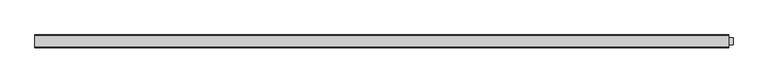
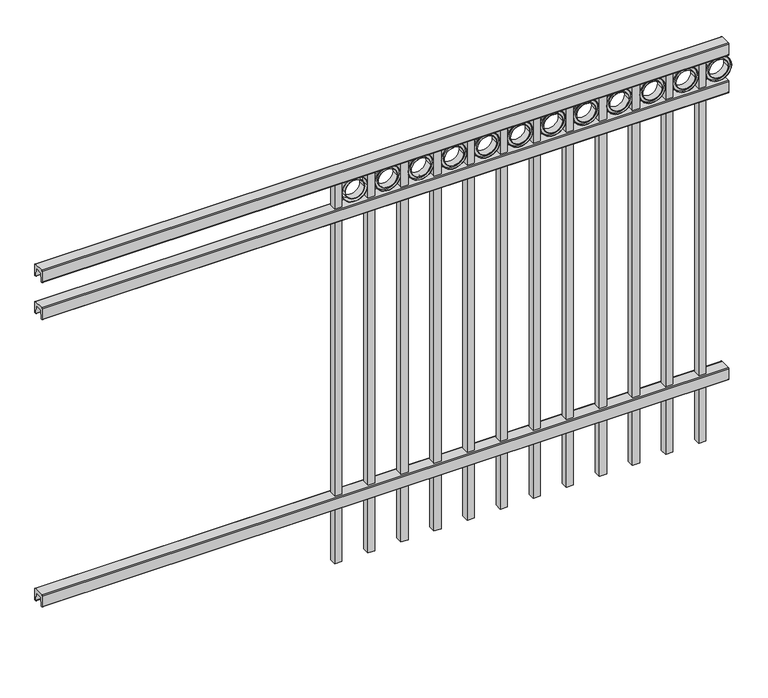
"""IFC4 building model written with IfcOpenShell, lengths in millimetres: railing geometry."""

from ifc_helpers import new_model, si_unit, point, frame, frame_2d, origin, place, context, project, spatial, polyline, circle_curve, trimmed, segment, composite_curve, outline, extrude, source, transform, mapped, element, save


def railing_443adf3b(model_context):
    return source(origin(), model_context, "Body", "SweptSolid", [
        extrude(outline(composite_curve([segment(polyline([(11873.9139761, 304.8), (11911.969541, 304.8)]), True, "CONTINUOUS"), segment(trimmed(circle_curve(frame_2d((11911.969541, 301.625)), 3.175), [point((11911.969541, 304.8))], [point((11915.144541, 301.625))], False, "CARTESIAN"), True, "CONTINUOUS"), segment(polyline([(11915.144541, 301.625), (11915.144541, 262.1439893)]), True, "CONTINUOUS"), segment(trimmed(circle_curve(frame_2d((11913.3505518, 262.1439893)), 1.7939893), [point((11915.144541, 262.1439893))], [point((11913.3505518, 260.35))], False, "CARTESIAN"), True, "CONTINUOUS"), segment(polyline([(11913.3505518, 260.35), (11910.7590713, 260.35)]), True, "CONTINUOUS"), segment(trimmed(circle_curve(frame_2d((11910.7590713, 262.1359375)), 1.7859375), [point((11910.7590713, 260.35))], [point((11908.9755813, 262.0424688))], False, "CARTESIAN"), True, "CONTINUOUS"), segment(polyline([(11908.9755813, 262.0424688), (11907.4025867, 292.0569942), (11878.4364954, 292.0569942), (11876.8635007, 262.0424688)]), True, "CONTINUOUS"), segment(trimmed(circle_curve(frame_2d((11875.0800108, 262.1359375)), 1.7859375), [point((11876.8635007, 262.0424688))], [point((11875.0800108, 260.35))], False, "CARTESIAN"), True, "CONTINUOUS"), segment(polyline([(11875.0800108, 260.35), (11872.4804785, 260.35)]), True, "CONTINUOUS"), segment(trimmed(circle_curve(frame_2d((11872.4804785, 262.1359375)), 1.7859375), [point((11872.4804785, 260.35))], [point((11870.694541, 262.1359375))], False, "CARTESIAN"), True, "CONTINUOUS"), segment(polyline([(11870.694541, 262.1359375), (11870.694541, 301.5805649)]), True, "CONTINUOUS"), segment(trimmed(circle_curve(frame_2d((11873.9139761, 301.5805649)), 3.2194351), [point((11870.694541, 301.5805649))], [point((11873.9139761, 304.8))], False, "CARTESIAN"), True, "CONTINUOUS")], self_intersect=False)), frame((-6193.0649936, 0.0, 0.0), z_axis=(1.0, 0.0, 0.0), x_axis=(0.0, 1.0, 0.0)), (0.0, 0.0, 1.0), 2438.4),
        extrude(outline(composite_curve([segment(polyline([(11873.9139761, 1383.50625), (11911.969541, 1383.50625)]), True, "CONTINUOUS"), segment(trimmed(circle_curve(frame_2d((11911.969541, 1380.33125)), 3.175), [point((11911.969541, 1383.50625))], [point((11915.144541, 1380.33125))], False, "CARTESIAN"), True, "CONTINUOUS"), segment(polyline([(11915.144541, 1380.33125), (11915.144541, 1340.8502393)]), True, "CONTINUOUS"), segment(trimmed(circle_curve(frame_2d((11913.3505518, 1340.8502393)), 1.7939893), [point((11915.144541, 1340.8502393))], [point((11913.3505518, 1339.05625))], False, "CARTESIAN"), True, "CONTINUOUS"), segment(polyline([(11913.3505518, 1339.05625), (11910.7590713, 1339.05625)]), True, "CONTINUOUS"), segment(trimmed(circle_curve(frame_2d((11910.7590713, 1340.8421875)), 1.7859375), [point((11910.7590713, 1339.05625))], [point((11908.9755813, 1340.7487188))], False, "CARTESIAN"), True, "CONTINUOUS"), segment(polyline([(11908.9755813, 1340.7487188), (11907.4025867, 1370.7632442), (11878.4364954, 1370.7632442), (11876.8635007, 1340.7487188)]), True, "CONTINUOUS"), segment(trimmed(circle_curve(frame_2d((11875.0800108, 1340.8421875)), 1.7859375), [point((11876.8635007, 1340.7487188))], [point((11875.0800108, 1339.05625))], False, "CARTESIAN"), True, "CONTINUOUS"), segment(polyline([(11875.0800108, 1339.05625), (11872.4804785, 1339.05625)]), True, "CONTINUOUS"), segment(trimmed(circle_curve(frame_2d((11872.4804785, 1340.8421875)), 1.7859375), [point((11872.4804785, 1339.05625))], [point((11870.694541, 1340.8421875))], False, "CARTESIAN"), True, "CONTINUOUS"), segment(polyline([(11870.694541, 1340.8421875), (11870.694541, 1380.2868149)]), True, "CONTINUOUS"), segment(trimmed(circle_curve(frame_2d((11873.9139761, 1380.2868149)), 3.2194351), [point((11870.694541, 1380.2868149))], [point((11873.9139761, 1383.50625))], False, "CARTESIAN"), True, "CONTINUOUS")], self_intersect=False)), frame((-6193.0649936, 0.0, 0.0), z_axis=(1.0, 0.0, 0.0), x_axis=(0.0, 1.0, 0.0)), (0.0, 0.0, 1.0), 2438.4),
        extrude(outline(composite_curve([segment(polyline([(11873.9139761, 1524.0), (11911.969541, 1524.0)]), True, "CONTINUOUS"), segment(trimmed(circle_curve(frame_2d((11911.969541, 1520.825)), 3.175), [point((11911.969541, 1524.0))], [point((11915.144541, 1520.825))], False, "CARTESIAN"), True, "CONTINUOUS"), segment(polyline([(11915.144541, 1520.825), (11915.144541, 1481.3439893)]), True, "CONTINUOUS"), segment(trimmed(circle_curve(frame_2d((11913.3505518, 1481.3439893)), 1.7939893), [point((11915.144541, 1481.3439893))], [point((11913.3505518, 1479.55))], False, "CARTESIAN"), True, "CONTINUOUS"), segment(polyline([(11913.3505518, 1479.55), (11910.7590713, 1479.55)]), True, "CONTINUOUS"), segment(trimmed(circle_curve(frame_2d((11910.7590713, 1481.3359375)), 1.7859375), [point((11910.7590713, 1479.55))], [point((11908.9755813, 1481.2424688))], False, "CARTESIAN"), True, "CONTINUOUS"), segment(polyline([(11908.9755813, 1481.2424688), (11907.4025867, 1511.2569942), (11878.4364954, 1511.2569942), (11876.8635007, 1481.2424688)]), True, "CONTINUOUS"), segment(trimmed(circle_curve(frame_2d((11875.0800108, 1481.3359375)), 1.7859375), [point((11876.8635007, 1481.2424688))], [point((11875.0800108, 1479.55))], False, "CARTESIAN"), True, "CONTINUOUS"), segment(polyline([(11875.0800108, 1479.55), (11872.4804785, 1479.55)]), True, "CONTINUOUS"), segment(trimmed(circle_curve(frame_2d((11872.4804785, 1481.3359375)), 1.7859375), [point((11872.4804785, 1479.55))], [point((11870.694541, 1481.3359375))], False, "CARTESIAN"), True, "CONTINUOUS"), segment(polyline([(11870.694541, 1481.3359375), (11870.694541, 1520.7805649)]), True, "CONTINUOUS"), segment(trimmed(circle_curve(frame_2d((11873.9139761, 1520.7805649)), 3.2194351), [point((11870.694541, 1520.7805649))], [point((11873.9139761, 1524.0))], False, "CARTESIAN"), True, "CONTINUOUS")], self_intersect=False)), frame((-6193.0649936, 0.0, 0.0), z_axis=(1.0, 0.0, 0.0), x_axis=(0.0, 1.0, 0.0)), (0.0, 0.0, 1.0), 2438.4),
        extrude(outline(polyline([(0.0, -1428.75), (0.0, 0.0), (25.4, 0.0), (25.4, -1428.75), (0.0, -1428.75)])), frame((-3830.8649864, 11905.619541, 1479.55), z_axis=(-1.0, 0.0, 2.9043842723434457e-09), x_axis=(0.0, -1.0, 0.0)), (0.0, 0.0, 1.0), 25.4),
        extrude(outline(composite_curve([segment(trimmed(circle_curve(frame_2d((1433.8511409, -3785.1661274)), 45.6988591), [point((1433.8511409, -3739.4672684))], [point((1433.8511409, -3830.8649865))], False, "CARTESIAN"), True, "CONTINUOUS"), segment(trimmed(circle_curve(frame_2d((1433.8511409, -3785.1661274)), 45.6988591), [point((1433.8511409, -3830.8649865))], [point((1433.8511409, -3739.4672684))], False, "CARTESIAN"), True, "CONTINUOUS")], self_intersect=False), holes=[composite_curve([segment(trimmed(circle_curve(frame_2d((1433.8511409, -3785.1661274)), 44.101539), [point((1433.8511409, -3741.0645884))], [point((1433.8511409, -3829.2676665))], True, "CARTESIAN"), True, "CONTINUOUS"), segment(trimmed(circle_curve(frame_2d((1433.8511409, -3785.1661274)), 44.101539), [point((1433.8511409, -3829.2676665))], [point((1433.8511409, -3741.0645884))], True, "CARTESIAN"), True, "CONTINUOUS")], self_intersect=False)]), frame((0.0, 11880.219541, 0.0), z_axis=(0.0, 1.0, 0.0), x_axis=(0.0, 0.0, 1.0)), (0.0, 0.0, 1.0), 25.4),
        extrude(outline(composite_curve([segment(trimmed(circle_curve(frame_2d((1433.8511409, -3785.1661274)), 34.6370762), [point((1433.8511409, -3750.5290512))], [point((1433.8511409, -3819.8032037))], False, "CARTESIAN"), True, "CONTINUOUS"), segment(trimmed(circle_curve(frame_2d((1433.8511409, -3785.1661274)), 34.6370762), [point((1433.8511409, -3819.8032037))], [point((1433.8511409, -3750.5290512))], False, "CARTESIAN"), True, "CONTINUOUS")], self_intersect=False), holes=[composite_curve([segment(trimmed(circle_curve(frame_2d((1433.8511409, -3785.1661274)), 33.0443887), [point((1433.8511409, -3752.1217388))], [point((1433.8511409, -3818.2105161))], True, "CARTESIAN"), True, "CONTINUOUS"), segment(trimmed(circle_curve(frame_2d((1433.8511409, -3785.1661274)), 33.0443887), [point((1433.8511409, -3818.2105161))], [point((1433.8511409, -3752.1217388))], True, "CARTESIAN"), True, "CONTINUOUS")], self_intersect=False)]), frame((0.0, 11880.219541, 0.0), z_axis=(0.0, 1.0, 0.0), x_axis=(0.0, 0.0, 1.0)), (0.0, 0.0, 1.0), 25.4),
        extrude(outline(composite_curve([segment(trimmed(circle_curve(frame_2d((1433.8511409, -3785.1661274)), 45.6988591), [point((1433.8511409, -3739.4672684))], [point((1433.8511409, -3830.8649865))], False, "CARTESIAN"), True, "CONTINUOUS"), segment(trimmed(circle_curve(frame_2d((1433.8511409, -3785.1661274)), 45.6988591), [point((1433.8511409, -3830.8649865))], [point((1433.8511409, -3739.4672684))], False, "CARTESIAN"), True, "CONTINUOUS")], self_intersect=False), holes=[composite_curve([segment(trimmed(circle_curve(frame_2d((1433.8511409, -3785.1661274)), 33.0443887), [point((1433.8511409, -3752.1217388))], [point((1433.8511409, -3818.2105161))], True, "CARTESIAN"), True, "CONTINUOUS"), segment(trimmed(circle_curve(frame_2d((1433.8511409, -3785.1661274)), 33.0443887), [point((1433.8511409, -3818.2105161))], [point((1433.8511409, -3752.1217388))], True, "CARTESIAN"), True, "CONTINUOUS")], self_intersect=False)]), frame((0.0, 11886.569541, 0.0), z_axis=(0.0, 1.0, 0.0), x_axis=(0.0, 0.0, 1.0)), (0.0, 0.0, 1.0), 12.7),
        extrude(outline(polyline([(0.0, -1428.75), (0.0, 0.0), (25.4, 0.0), (25.4, -1428.75), (0.0, -1428.75)])), frame((-3948.3399864, 11905.619541, 1479.55), z_axis=(-1.0, 0.0, 2.9043842723434457e-09), x_axis=(0.0, -1.0, 0.0)), (0.0, 0.0, 1.0), 25.4),
        extrude(outline(composite_curve([segment(trimmed(circle_curve(frame_2d((1433.8511409, -3902.6411274)), 45.6988591), [point((1433.8511409, -3856.9422684))], [point((1433.8511409, -3948.3399865))], False, "CARTESIAN"), True, "CONTINUOUS"), segment(trimmed(circle_curve(frame_2d((1433.8511409, -3902.6411274)), 45.6988591), [point((1433.8511409, -3948.3399865))], [point((1433.8511409, -3856.9422684))], False, "CARTESIAN"), True, "CONTINUOUS")], self_intersect=False), holes=[composite_curve([segment(trimmed(circle_curve(frame_2d((1433.8511409, -3902.6411274)), 44.101539), [point((1433.8511409, -3858.5395884))], [point((1433.8511409, -3946.7426665))], True, "CARTESIAN"), True, "CONTINUOUS"), segment(trimmed(circle_curve(frame_2d((1433.8511409, -3902.6411274)), 44.101539), [point((1433.8511409, -3946.7426665))], [point((1433.8511409, -3858.5395884))], True, "CARTESIAN"), True, "CONTINUOUS")], self_intersect=False)]), frame((0.0, 11880.219541, 0.0), z_axis=(0.0, 1.0, 0.0), x_axis=(0.0, 0.0, 1.0)), (0.0, 0.0, 1.0), 25.4),
        extrude(outline(composite_curve([segment(trimmed(circle_curve(frame_2d((1433.8511409, -3902.6411274)), 34.6370762), [point((1433.8511409, -3868.0040512))], [point((1433.8511409, -3937.2782037))], False, "CARTESIAN"), True, "CONTINUOUS"), segment(trimmed(circle_curve(frame_2d((1433.8511409, -3902.6411274)), 34.6370762), [point((1433.8511409, -3937.2782037))], [point((1433.8511409, -3868.0040512))], False, "CARTESIAN"), True, "CONTINUOUS")], self_intersect=False), holes=[composite_curve([segment(trimmed(circle_curve(frame_2d((1433.8511409, -3902.6411274)), 33.0443887), [point((1433.8511409, -3869.5967388))], [point((1433.8511409, -3935.6855161))], True, "CARTESIAN"), True, "CONTINUOUS"), segment(trimmed(circle_curve(frame_2d((1433.8511409, -3902.6411274)), 33.0443887), [point((1433.8511409, -3935.6855161))], [point((1433.8511409, -3869.5967388))], True, "CARTESIAN"), True, "CONTINUOUS")], self_intersect=False)]), frame((0.0, 11880.219541, 0.0), z_axis=(0.0, 1.0, 0.0), x_axis=(0.0, 0.0, 1.0)), (0.0, 0.0, 1.0), 25.4),
        extrude(outline(composite_curve([segment(trimmed(circle_curve(frame_2d((1433.8511409, -3902.6411274)), 45.6988591), [point((1433.8511409, -3856.9422684))], [point((1433.8511409, -3948.3399865))], False, "CARTESIAN"), True, "CONTINUOUS"), segment(trimmed(circle_curve(frame_2d((1433.8511409, -3902.6411274)), 45.6988591), [point((1433.8511409, -3948.3399865))], [point((1433.8511409, -3856.9422684))], False, "CARTESIAN"), True, "CONTINUOUS")], self_intersect=False), holes=[composite_curve([segment(trimmed(circle_curve(frame_2d((1433.8511409, -3902.6411274)), 33.0443887), [point((1433.8511409, -3869.5967388))], [point((1433.8511409, -3935.6855161))], True, "CARTESIAN"), True, "CONTINUOUS"), segment(trimmed(circle_curve(frame_2d((1433.8511409, -3902.6411274)), 33.0443887), [point((1433.8511409, -3935.6855161))], [point((1433.8511409, -3869.5967388))], True, "CARTESIAN"), True, "CONTINUOUS")], self_intersect=False)]), frame((0.0, 11886.569541, 0.0), z_axis=(0.0, 1.0, 0.0), x_axis=(0.0, 0.0, 1.0)), (0.0, 0.0, 1.0), 12.7),
        extrude(outline(polyline([(0.0, -1428.75), (0.0, 0.0), (25.4, 0.0), (25.4, -1428.75), (0.0, -1428.75)])), frame((-4065.8149864, 11905.619541, 1479.55), z_axis=(-1.0, 0.0, 2.9043842723434457e-09), x_axis=(0.0, -1.0, 0.0)), (0.0, 0.0, 1.0), 25.4),
        extrude(outline(composite_curve([segment(trimmed(circle_curve(frame_2d((1433.8511409, -4020.1161274)), 45.6988591), [point((1433.8511409, -3974.4172684))], [point((1433.8511409, -4065.8149865))], False, "CARTESIAN"), True, "CONTINUOUS"), segment(trimmed(circle_curve(frame_2d((1433.8511409, -4020.1161274)), 45.6988591), [point((1433.8511409, -4065.8149865))], [point((1433.8511409, -3974.4172684))], False, "CARTESIAN"), True, "CONTINUOUS")], self_intersect=False), holes=[composite_curve([segment(trimmed(circle_curve(frame_2d((1433.8511409, -4020.1161274)), 44.101539), [point((1433.8511409, -3976.0145884))], [point((1433.8511409, -4064.2176665))], True, "CARTESIAN"), True, "CONTINUOUS"), segment(trimmed(circle_curve(frame_2d((1433.8511409, -4020.1161274)), 44.101539), [point((1433.8511409, -4064.2176665))], [point((1433.8511409, -3976.0145884))], True, "CARTESIAN"), True, "CONTINUOUS")], self_intersect=False)]), frame((0.0, 11880.219541, 0.0), z_axis=(0.0, 1.0, 0.0), x_axis=(0.0, 0.0, 1.0)), (0.0, 0.0, 1.0), 25.4),
        extrude(outline(composite_curve([segment(trimmed(circle_curve(frame_2d((1433.8511409, -4020.1161274)), 34.6370762), [point((1433.8511409, -3985.4790512))], [point((1433.8511409, -4054.7532037))], False, "CARTESIAN"), True, "CONTINUOUS"), segment(trimmed(circle_curve(frame_2d((1433.8511409, -4020.1161274)), 34.6370762), [point((1433.8511409, -4054.7532037))], [point((1433.8511409, -3985.4790512))], False, "CARTESIAN"), True, "CONTINUOUS")], self_intersect=False), holes=[composite_curve([segment(trimmed(circle_curve(frame_2d((1433.8511409, -4020.1161274)), 33.0443887), [point((1433.8511409, -3987.0717388))], [point((1433.8511409, -4053.1605161))], True, "CARTESIAN"), True, "CONTINUOUS"), segment(trimmed(circle_curve(frame_2d((1433.8511409, -4020.1161274)), 33.0443887), [point((1433.8511409, -4053.1605161))], [point((1433.8511409, -3987.0717388))], True, "CARTESIAN"), True, "CONTINUOUS")], self_intersect=False)]), frame((0.0, 11880.219541, 0.0), z_axis=(0.0, 1.0, 0.0), x_axis=(0.0, 0.0, 1.0)), (0.0, 0.0, 1.0), 25.4),
        extrude(outline(composite_curve([segment(trimmed(circle_curve(frame_2d((1433.8511409, -4020.1161274)), 45.6988591), [point((1433.8511409, -3974.4172684))], [point((1433.8511409, -4065.8149865))], False, "CARTESIAN"), True, "CONTINUOUS"), segment(trimmed(circle_curve(frame_2d((1433.8511409, -4020.1161274)), 45.6988591), [point((1433.8511409, -4065.8149865))], [point((1433.8511409, -3974.4172684))], False, "CARTESIAN"), True, "CONTINUOUS")], self_intersect=False), holes=[composite_curve([segment(trimmed(circle_curve(frame_2d((1433.8511409, -4020.1161274)), 33.0443887), [point((1433.8511409, -3987.0717388))], [point((1433.8511409, -4053.1605161))], True, "CARTESIAN"), True, "CONTINUOUS"), segment(trimmed(circle_curve(frame_2d((1433.8511409, -4020.1161274)), 33.0443887), [point((1433.8511409, -4053.1605161))], [point((1433.8511409, -3987.0717388))], True, "CARTESIAN"), True, "CONTINUOUS")], self_intersect=False)]), frame((0.0, 11886.569541, 0.0), z_axis=(0.0, 1.0, 0.0), x_axis=(0.0, 0.0, 1.0)), (0.0, 0.0, 1.0), 12.7),
        extrude(outline(polyline([(0.0, -1428.75), (0.0, 0.0), (25.4, 0.0), (25.4, -1428.75), (0.0, -1428.75)])), frame((-4183.2899864, 11905.619541, 1479.55), z_axis=(-1.0, 0.0, 2.9043842723434457e-09), x_axis=(0.0, -1.0, 0.0)), (0.0, 0.0, 1.0), 25.4),
        extrude(outline(composite_curve([segment(trimmed(circle_curve(frame_2d((1433.8511409, -4137.5911274)), 45.6988591), [point((1433.8511409, -4091.8922684))], [point((1433.8511409, -4183.2899865))], False, "CARTESIAN"), True, "CONTINUOUS"), segment(trimmed(circle_curve(frame_2d((1433.8511409, -4137.5911274)), 45.6988591), [point((1433.8511409, -4183.2899865))], [point((1433.8511409, -4091.8922684))], False, "CARTESIAN"), True, "CONTINUOUS")], self_intersect=False), holes=[composite_curve([segment(trimmed(circle_curve(frame_2d((1433.8511409, -4137.5911274)), 44.101539), [point((1433.8511409, -4093.4895884))], [point((1433.8511409, -4181.6926665))], True, "CARTESIAN"), True, "CONTINUOUS"), segment(trimmed(circle_curve(frame_2d((1433.8511409, -4137.5911274)), 44.101539), [point((1433.8511409, -4181.6926665))], [point((1433.8511409, -4093.4895884))], True, "CARTESIAN"), True, "CONTINUOUS")], self_intersect=False)]), frame((0.0, 11880.219541, 0.0), z_axis=(0.0, 1.0, 0.0), x_axis=(0.0, 0.0, 1.0)), (0.0, 0.0, 1.0), 25.4),
        extrude(outline(composite_curve([segment(trimmed(circle_curve(frame_2d((1433.8511409, -4137.5911274)), 34.6370762), [point((1433.8511409, -4102.9540512))], [point((1433.8511409, -4172.2282037))], False, "CARTESIAN"), True, "CONTINUOUS"), segment(trimmed(circle_curve(frame_2d((1433.8511409, -4137.5911274)), 34.6370762), [point((1433.8511409, -4172.2282037))], [point((1433.8511409, -4102.9540512))], False, "CARTESIAN"), True, "CONTINUOUS")], self_intersect=False), holes=[composite_curve([segment(trimmed(circle_curve(frame_2d((1433.8511409, -4137.5911274)), 33.0443887), [point((1433.8511409, -4104.5467388))], [point((1433.8511409, -4170.6355161))], True, "CARTESIAN"), True, "CONTINUOUS"), segment(trimmed(circle_curve(frame_2d((1433.8511409, -4137.5911274)), 33.0443887), [point((1433.8511409, -4170.6355161))], [point((1433.8511409, -4104.5467388))], True, "CARTESIAN"), True, "CONTINUOUS")], self_intersect=False)]), frame((0.0, 11880.219541, 0.0), z_axis=(0.0, 1.0, 0.0), x_axis=(0.0, 0.0, 1.0)), (0.0, 0.0, 1.0), 25.4),
        extrude(outline(composite_curve([segment(trimmed(circle_curve(frame_2d((1433.8511409, -4137.5911274)), 45.6988591), [point((1433.8511409, -4091.8922684))], [point((1433.8511409, -4183.2899865))], False, "CARTESIAN"), True, "CONTINUOUS"), segment(trimmed(circle_curve(frame_2d((1433.8511409, -4137.5911274)), 45.6988591), [point((1433.8511409, -4183.2899865))], [point((1433.8511409, -4091.8922684))], False, "CARTESIAN"), True, "CONTINUOUS")], self_intersect=False), holes=[composite_curve([segment(trimmed(circle_curve(frame_2d((1433.8511409, -4137.5911274)), 33.0443887), [point((1433.8511409, -4104.5467388))], [point((1433.8511409, -4170.6355161))], True, "CARTESIAN"), True, "CONTINUOUS"), segment(trimmed(circle_curve(frame_2d((1433.8511409, -4137.5911274)), 33.0443887), [point((1433.8511409, -4170.6355161))], [point((1433.8511409, -4104.5467388))], True, "CARTESIAN"), True, "CONTINUOUS")], self_intersect=False)]), frame((0.0, 11886.569541, 0.0), z_axis=(0.0, 1.0, 0.0), x_axis=(0.0, 0.0, 1.0)), (0.0, 0.0, 1.0), 12.7),
        extrude(outline(polyline([(0.0, -1428.75), (0.0, 0.0), (25.4, 0.0), (25.4, -1428.75), (0.0, -1428.75)])), frame((-4300.7649864, 11905.619541, 1479.55), z_axis=(-1.0, 0.0, 2.9043842723434457e-09), x_axis=(0.0, -1.0, 0.0)), (0.0, 0.0, 1.0), 25.4),
        extrude(outline(composite_curve([segment(trimmed(circle_curve(frame_2d((1433.8511409, -4255.0661274)), 45.6988591), [point((1433.8511409, -4209.3672684))], [point((1433.8511409, -4300.7649865))], False, "CARTESIAN"), True, "CONTINUOUS"), segment(trimmed(circle_curve(frame_2d((1433.8511409, -4255.0661274)), 45.6988591), [point((1433.8511409, -4300.7649865))], [point((1433.8511409, -4209.3672684))], False, "CARTESIAN"), True, "CONTINUOUS")], self_intersect=False), holes=[composite_curve([segment(trimmed(circle_curve(frame_2d((1433.8511409, -4255.0661274)), 44.101539), [point((1433.8511409, -4210.9645884))], [point((1433.8511409, -4299.1676665))], True, "CARTESIAN"), True, "CONTINUOUS"), segment(trimmed(circle_curve(frame_2d((1433.8511409, -4255.0661274)), 44.101539), [point((1433.8511409, -4299.1676665))], [point((1433.8511409, -4210.9645884))], True, "CARTESIAN"), True, "CONTINUOUS")], self_intersect=False)]), frame((0.0, 11880.219541, 0.0), z_axis=(0.0, 1.0, 0.0), x_axis=(0.0, 0.0, 1.0)), (0.0, 0.0, 1.0), 25.4),
        extrude(outline(composite_curve([segment(trimmed(circle_curve(frame_2d((1433.8511409, -4255.0661274)), 34.6370762), [point((1433.8511409, -4220.4290512))], [point((1433.8511409, -4289.7032037))], False, "CARTESIAN"), True, "CONTINUOUS"), segment(trimmed(circle_curve(frame_2d((1433.8511409, -4255.0661274)), 34.6370762), [point((1433.8511409, -4289.7032037))], [point((1433.8511409, -4220.4290512))], False, "CARTESIAN"), True, "CONTINUOUS")], self_intersect=False), holes=[composite_curve([segment(trimmed(circle_curve(frame_2d((1433.8511409, -4255.0661274)), 33.0443887), [point((1433.8511409, -4222.0217388))], [point((1433.8511409, -4288.1105161))], True, "CARTESIAN"), True, "CONTINUOUS"), segment(trimmed(circle_curve(frame_2d((1433.8511409, -4255.0661274)), 33.0443887), [point((1433.8511409, -4288.1105161))], [point((1433.8511409, -4222.0217388))], True, "CARTESIAN"), True, "CONTINUOUS")], self_intersect=False)]), frame((0.0, 11880.219541, 0.0), z_axis=(0.0, 1.0, 0.0), x_axis=(0.0, 0.0, 1.0)), (0.0, 0.0, 1.0), 25.4),
        extrude(outline(composite_curve([segment(trimmed(circle_curve(frame_2d((1433.8511409, -4255.0661274)), 45.6988591), [point((1433.8511409, -4209.3672684))], [point((1433.8511409, -4300.7649865))], False, "CARTESIAN"), True, "CONTINUOUS"), segment(trimmed(circle_curve(frame_2d((1433.8511409, -4255.0661274)), 45.6988591), [point((1433.8511409, -4300.7649865))], [point((1433.8511409, -4209.3672684))], False, "CARTESIAN"), True, "CONTINUOUS")], self_intersect=False), holes=[composite_curve([segment(trimmed(circle_curve(frame_2d((1433.8511409, -4255.0661274)), 33.0443887), [point((1433.8511409, -4222.0217388))], [point((1433.8511409, -4288.1105161))], True, "CARTESIAN"), True, "CONTINUOUS"), segment(trimmed(circle_curve(frame_2d((1433.8511409, -4255.0661274)), 33.0443887), [point((1433.8511409, -4288.1105161))], [point((1433.8511409, -4222.0217388))], True, "CARTESIAN"), True, "CONTINUOUS")], self_intersect=False)]), frame((0.0, 11886.569541, 0.0), z_axis=(0.0, 1.0, 0.0), x_axis=(0.0, 0.0, 1.0)), (0.0, 0.0, 1.0), 12.7),
        extrude(outline(polyline([(0.0, -1428.75), (0.0, 0.0), (25.4, 0.0), (25.4, -1428.75), (0.0, -1428.75)])), frame((-4418.2399864, 11905.619541, 1479.55), z_axis=(-1.0, 0.0, 2.9043842723434457e-09), x_axis=(0.0, -1.0, 0.0)), (0.0, 0.0, 1.0), 25.4),
        extrude(outline(composite_curve([segment(trimmed(circle_curve(frame_2d((1433.8511409, -4372.5411274)), 45.6988591), [point((1433.8511409, -4326.8422684))], [point((1433.8511409, -4418.2399865))], False, "CARTESIAN"), True, "CONTINUOUS"), segment(trimmed(circle_curve(frame_2d((1433.8511409, -4372.5411274)), 45.6988591), [point((1433.8511409, -4418.2399865))], [point((1433.8511409, -4326.8422684))], False, "CARTESIAN"), True, "CONTINUOUS")], self_intersect=False), holes=[composite_curve([segment(trimmed(circle_curve(frame_2d((1433.8511409, -4372.5411274)), 44.101539), [point((1433.8511409, -4328.4395884))], [point((1433.8511409, -4416.6426665))], True, "CARTESIAN"), True, "CONTINUOUS"), segment(trimmed(circle_curve(frame_2d((1433.8511409, -4372.5411274)), 44.101539), [point((1433.8511409, -4416.6426665))], [point((1433.8511409, -4328.4395884))], True, "CARTESIAN"), True, "CONTINUOUS")], self_intersect=False)]), frame((0.0, 11880.219541, 0.0), z_axis=(0.0, 1.0, 0.0), x_axis=(0.0, 0.0, 1.0)), (0.0, 0.0, 1.0), 25.4),
        extrude(outline(composite_curve([segment(trimmed(circle_curve(frame_2d((1433.8511409, -4372.5411274)), 34.6370762), [point((1433.8511409, -4337.9040512))], [point((1433.8511409, -4407.1782037))], False, "CARTESIAN"), True, "CONTINUOUS"), segment(trimmed(circle_curve(frame_2d((1433.8511409, -4372.5411274)), 34.6370762), [point((1433.8511409, -4407.1782037))], [point((1433.8511409, -4337.9040512))], False, "CARTESIAN"), True, "CONTINUOUS")], self_intersect=False), holes=[composite_curve([segment(trimmed(circle_curve(frame_2d((1433.8511409, -4372.5411274)), 33.0443887), [point((1433.8511409, -4339.4967388))], [point((1433.8511409, -4405.5855161))], True, "CARTESIAN"), True, "CONTINUOUS"), segment(trimmed(circle_curve(frame_2d((1433.8511409, -4372.5411274)), 33.0443887), [point((1433.8511409, -4405.5855161))], [point((1433.8511409, -4339.4967388))], True, "CARTESIAN"), True, "CONTINUOUS")], self_intersect=False)]), frame((0.0, 11880.219541, 0.0), z_axis=(0.0, 1.0, 0.0), x_axis=(0.0, 0.0, 1.0)), (0.0, 0.0, 1.0), 25.4),
        extrude(outline(composite_curve([segment(trimmed(circle_curve(frame_2d((1433.8511409, -4372.5411274)), 45.6988591), [point((1433.8511409, -4326.8422684))], [point((1433.8511409, -4418.2399865))], False, "CARTESIAN"), True, "CONTINUOUS"), segment(trimmed(circle_curve(frame_2d((1433.8511409, -4372.5411274)), 45.6988591), [point((1433.8511409, -4418.2399865))], [point((1433.8511409, -4326.8422684))], False, "CARTESIAN"), True, "CONTINUOUS")], self_intersect=False), holes=[composite_curve([segment(trimmed(circle_curve(frame_2d((1433.8511409, -4372.5411274)), 33.0443887), [point((1433.8511409, -4339.4967388))], [point((1433.8511409, -4405.5855161))], True, "CARTESIAN"), True, "CONTINUOUS"), segment(trimmed(circle_curve(frame_2d((1433.8511409, -4372.5411274)), 33.0443887), [point((1433.8511409, -4405.5855161))], [point((1433.8511409, -4339.4967388))], True, "CARTESIAN"), True, "CONTINUOUS")], self_intersect=False)]), frame((0.0, 11886.569541, 0.0), z_axis=(0.0, 1.0, 0.0), x_axis=(0.0, 0.0, 1.0)), (0.0, 0.0, 1.0), 12.7),
        extrude(outline(polyline([(0.0, -1428.75), (0.0, 0.0), (25.4, 0.0), (25.4, -1428.75), (0.0, -1428.75)])), frame((-4535.7149864, 11905.619541, 1479.55), z_axis=(-1.0, 0.0, 2.9043842723434457e-09), x_axis=(0.0, -1.0, 0.0)), (0.0, 0.0, 1.0), 25.4),
        extrude(outline(composite_curve([segment(trimmed(circle_curve(frame_2d((1433.8511409, -4490.0161274)), 45.6988591), [point((1433.8511409, -4444.3172684))], [point((1433.8511409, -4535.7149865))], False, "CARTESIAN"), True, "CONTINUOUS"), segment(trimmed(circle_curve(frame_2d((1433.8511409, -4490.0161274)), 45.6988591), [point((1433.8511409, -4535.7149865))], [point((1433.8511409, -4444.3172684))], False, "CARTESIAN"), True, "CONTINUOUS")], self_intersect=False), holes=[composite_curve([segment(trimmed(circle_curve(frame_2d((1433.8511409, -4490.0161274)), 44.101539), [point((1433.8511409, -4445.9145884))], [point((1433.8511409, -4534.1176665))], True, "CARTESIAN"), True, "CONTINUOUS"), segment(trimmed(circle_curve(frame_2d((1433.8511409, -4490.0161274)), 44.101539), [point((1433.8511409, -4534.1176665))], [point((1433.8511409, -4445.9145884))], True, "CARTESIAN"), True, "CONTINUOUS")], self_intersect=False)]), frame((0.0, 11880.219541, 0.0), z_axis=(0.0, 1.0, 0.0), x_axis=(0.0, 0.0, 1.0)), (0.0, 0.0, 1.0), 25.4),
        extrude(outline(composite_curve([segment(trimmed(circle_curve(frame_2d((1433.8511409, -4490.0161274)), 34.6370762), [point((1433.8511409, -4455.3790512))], [point((1433.8511409, -4524.6532037))], False, "CARTESIAN"), True, "CONTINUOUS"), segment(trimmed(circle_curve(frame_2d((1433.8511409, -4490.0161274)), 34.6370762), [point((1433.8511409, -4524.6532037))], [point((1433.8511409, -4455.3790512))], False, "CARTESIAN"), True, "CONTINUOUS")], self_intersect=False), holes=[composite_curve([segment(trimmed(circle_curve(frame_2d((1433.8511409, -4490.0161274)), 33.0443887), [point((1433.8511409, -4456.9717388))], [point((1433.8511409, -4523.0605161))], True, "CARTESIAN"), True, "CONTINUOUS"), segment(trimmed(circle_curve(frame_2d((1433.8511409, -4490.0161274)), 33.0443887), [point((1433.8511409, -4523.0605161))], [point((1433.8511409, -4456.9717388))], True, "CARTESIAN"), True, "CONTINUOUS")], self_intersect=False)]), frame((0.0, 11880.219541, 0.0), z_axis=(0.0, 1.0, 0.0), x_axis=(0.0, 0.0, 1.0)), (0.0, 0.0, 1.0), 25.4),
        extrude(outline(composite_curve([segment(trimmed(circle_curve(frame_2d((1433.8511409, -4490.0161274)), 45.6988591), [point((1433.8511409, -4444.3172684))], [point((1433.8511409, -4535.7149865))], False, "CARTESIAN"), True, "CONTINUOUS"), segment(trimmed(circle_curve(frame_2d((1433.8511409, -4490.0161274)), 45.6988591), [point((1433.8511409, -4535.7149865))], [point((1433.8511409, -4444.3172684))], False, "CARTESIAN"), True, "CONTINUOUS")], self_intersect=False), holes=[composite_curve([segment(trimmed(circle_curve(frame_2d((1433.8511409, -4490.0161274)), 33.0443887), [point((1433.8511409, -4456.9717388))], [point((1433.8511409, -4523.0605161))], True, "CARTESIAN"), True, "CONTINUOUS"), segment(trimmed(circle_curve(frame_2d((1433.8511409, -4490.0161274)), 33.0443887), [point((1433.8511409, -4523.0605161))], [point((1433.8511409, -4456.9717388))], True, "CARTESIAN"), True, "CONTINUOUS")], self_intersect=False)]), frame((0.0, 11886.569541, 0.0), z_axis=(0.0, 1.0, 0.0), x_axis=(0.0, 0.0, 1.0)), (0.0, 0.0, 1.0), 12.7),
        extrude(outline(polyline([(0.0, -1428.75), (0.0, 0.0), (25.4, 0.0), (25.4, -1428.75), (0.0, -1428.75)])), frame((-4653.1899864, 11905.619541, 1479.55), z_axis=(-1.0, 0.0, 2.9043842723434457e-09), x_axis=(0.0, -1.0, 0.0)), (0.0, 0.0, 1.0), 25.4),
        extrude(outline(composite_curve([segment(trimmed(circle_curve(frame_2d((1433.8511409, -4607.4911274)), 45.6988591), [point((1433.8511409, -4561.7922684))], [point((1433.8511409, -4653.1899865))], False, "CARTESIAN"), True, "CONTINUOUS"), segment(trimmed(circle_curve(frame_2d((1433.8511409, -4607.4911274)), 45.6988591), [point((1433.8511409, -4653.1899865))], [point((1433.8511409, -4561.7922684))], False, "CARTESIAN"), True, "CONTINUOUS")], self_intersect=False), holes=[composite_curve([segment(trimmed(circle_curve(frame_2d((1433.8511409, -4607.4911274)), 44.101539), [point((1433.8511409, -4563.3895884))], [point((1433.8511409, -4651.5926665))], True, "CARTESIAN"), True, "CONTINUOUS"), segment(trimmed(circle_curve(frame_2d((1433.8511409, -4607.4911274)), 44.101539), [point((1433.8511409, -4651.5926665))], [point((1433.8511409, -4563.3895884))], True, "CARTESIAN"), True, "CONTINUOUS")], self_intersect=False)]), frame((0.0, 11880.219541, 0.0), z_axis=(0.0, 1.0, 0.0), x_axis=(0.0, 0.0, 1.0)), (0.0, 0.0, 1.0), 25.4),
        extrude(outline(composite_curve([segment(trimmed(circle_curve(frame_2d((1433.8511409, -4607.4911274)), 34.6370762), [point((1433.8511409, -4572.8540512))], [point((1433.8511409, -4642.1282037))], False, "CARTESIAN"), True, "CONTINUOUS"), segment(trimmed(circle_curve(frame_2d((1433.8511409, -4607.4911274)), 34.6370762), [point((1433.8511409, -4642.1282037))], [point((1433.8511409, -4572.8540512))], False, "CARTESIAN"), True, "CONTINUOUS")], self_intersect=False), holes=[composite_curve([segment(trimmed(circle_curve(frame_2d((1433.8511409, -4607.4911274)), 33.0443887), [point((1433.8511409, -4574.4467388))], [point((1433.8511409, -4640.5355161))], True, "CARTESIAN"), True, "CONTINUOUS"), segment(trimmed(circle_curve(frame_2d((1433.8511409, -4607.4911274)), 33.0443887), [point((1433.8511409, -4640.5355161))], [point((1433.8511409, -4574.4467388))], True, "CARTESIAN"), True, "CONTINUOUS")], self_intersect=False)]), frame((0.0, 11880.219541, 0.0), z_axis=(0.0, 1.0, 0.0), x_axis=(0.0, 0.0, 1.0)), (0.0, 0.0, 1.0), 25.4),
        extrude(outline(composite_curve([segment(trimmed(circle_curve(frame_2d((1433.8511409, -4607.4911274)), 45.6988591), [point((1433.8511409, -4561.7922684))], [point((1433.8511409, -4653.1899865))], False, "CARTESIAN"), True, "CONTINUOUS"), segment(trimmed(circle_curve(frame_2d((1433.8511409, -4607.4911274)), 45.6988591), [point((1433.8511409, -4653.1899865))], [point((1433.8511409, -4561.7922684))], False, "CARTESIAN"), True, "CONTINUOUS")], self_intersect=False), holes=[composite_curve([segment(trimmed(circle_curve(frame_2d((1433.8511409, -4607.4911274)), 33.0443887), [point((1433.8511409, -4574.4467388))], [point((1433.8511409, -4640.5355161))], True, "CARTESIAN"), True, "CONTINUOUS"), segment(trimmed(circle_curve(frame_2d((1433.8511409, -4607.4911274)), 33.0443887), [point((1433.8511409, -4640.5355161))], [point((1433.8511409, -4574.4467388))], True, "CARTESIAN"), True, "CONTINUOUS")], self_intersect=False)]), frame((0.0, 11886.569541, 0.0), z_axis=(0.0, 1.0, 0.0), x_axis=(0.0, 0.0, 1.0)), (0.0, 0.0, 1.0), 12.7),
        extrude(outline(polyline([(0.0, -1428.75), (0.0, 0.0), (25.4, 0.0), (25.4, -1428.75), (0.0, -1428.75)])), frame((-4770.6649864, 11905.619541, 1479.55), z_axis=(-1.0, 0.0, 2.9043842723434457e-09), x_axis=(0.0, -1.0, 0.0)), (0.0, 0.0, 1.0), 25.4),
        extrude(outline(composite_curve([segment(trimmed(circle_curve(frame_2d((1433.8511409, -4724.9661274)), 45.6988591), [point((1433.8511409, -4679.2672684))], [point((1433.8511409, -4770.6649865))], False, "CARTESIAN"), True, "CONTINUOUS"), segment(trimmed(circle_curve(frame_2d((1433.8511409, -4724.9661274)), 45.6988591), [point((1433.8511409, -4770.6649865))], [point((1433.8511409, -4679.2672684))], False, "CARTESIAN"), True, "CONTINUOUS")], self_intersect=False), holes=[composite_curve([segment(trimmed(circle_curve(frame_2d((1433.8511409, -4724.9661274)), 44.101539), [point((1433.8511409, -4680.8645884))], [point((1433.8511409, -4769.0676665))], True, "CARTESIAN"), True, "CONTINUOUS"), segment(trimmed(circle_curve(frame_2d((1433.8511409, -4724.9661274)), 44.101539), [point((1433.8511409, -4769.0676665))], [point((1433.8511409, -4680.8645884))], True, "CARTESIAN"), True, "CONTINUOUS")], self_intersect=False)]), frame((0.0, 11880.219541, 0.0), z_axis=(0.0, 1.0, 0.0), x_axis=(0.0, 0.0, 1.0)), (0.0, 0.0, 1.0), 25.4),
        extrude(outline(composite_curve([segment(trimmed(circle_curve(frame_2d((1433.8511409, -4724.9661274)), 34.6370762), [point((1433.8511409, -4690.3290512))], [point((1433.8511409, -4759.6032037))], False, "CARTESIAN"), True, "CONTINUOUS"), segment(trimmed(circle_curve(frame_2d((1433.8511409, -4724.9661274)), 34.6370762), [point((1433.8511409, -4759.6032037))], [point((1433.8511409, -4690.3290512))], False, "CARTESIAN"), True, "CONTINUOUS")], self_intersect=False), holes=[composite_curve([segment(trimmed(circle_curve(frame_2d((1433.8511409, -4724.9661274)), 33.0443887), [point((1433.8511409, -4691.9217388))], [point((1433.8511409, -4758.0105161))], True, "CARTESIAN"), True, "CONTINUOUS"), segment(trimmed(circle_curve(frame_2d((1433.8511409, -4724.9661274)), 33.0443887), [point((1433.8511409, -4758.0105161))], [point((1433.8511409, -4691.9217388))], True, "CARTESIAN"), True, "CONTINUOUS")], self_intersect=False)]), frame((0.0, 11880.219541, 0.0), z_axis=(0.0, 1.0, 0.0), x_axis=(0.0, 0.0, 1.0)), (0.0, 0.0, 1.0), 25.4),
        extrude(outline(composite_curve([segment(trimmed(circle_curve(frame_2d((1433.8511409, -4724.9661274)), 45.6988591), [point((1433.8511409, -4679.2672684))], [point((1433.8511409, -4770.6649865))], False, "CARTESIAN"), True, "CONTINUOUS"), segment(trimmed(circle_curve(frame_2d((1433.8511409, -4724.9661274)), 45.6988591), [point((1433.8511409, -4770.6649865))], [point((1433.8511409, -4679.2672684))], False, "CARTESIAN"), True, "CONTINUOUS")], self_intersect=False), holes=[composite_curve([segment(trimmed(circle_curve(frame_2d((1433.8511409, -4724.9661274)), 33.0443887), [point((1433.8511409, -4691.9217388))], [point((1433.8511409, -4758.0105161))], True, "CARTESIAN"), True, "CONTINUOUS"), segment(trimmed(circle_curve(frame_2d((1433.8511409, -4724.9661274)), 33.0443887), [point((1433.8511409, -4758.0105161))], [point((1433.8511409, -4691.9217388))], True, "CARTESIAN"), True, "CONTINUOUS")], self_intersect=False)]), frame((0.0, 11886.569541, 0.0), z_axis=(0.0, 1.0, 0.0), x_axis=(0.0, 0.0, 1.0)), (0.0, 0.0, 1.0), 12.7),
        extrude(outline(polyline([(0.0, -1428.75), (0.0, 0.0), (25.4, 0.0), (25.4, -1428.75), (0.0, -1428.75)])), frame((-4888.1399864, 11905.619541, 1479.55), z_axis=(-1.0, 0.0, 2.9043842723434457e-09), x_axis=(0.0, -1.0, 0.0)), (0.0, 0.0, 1.0), 25.4),
        extrude(outline(composite_curve([segment(trimmed(circle_curve(frame_2d((1433.8511409, -4842.4411274)), 45.6988591), [point((1433.8511409, -4796.7422684))], [point((1433.8511409, -4888.1399865))], False, "CARTESIAN"), True, "CONTINUOUS"), segment(trimmed(circle_curve(frame_2d((1433.8511409, -4842.4411274)), 45.6988591), [point((1433.8511409, -4888.1399865))], [point((1433.8511409, -4796.7422684))], False, "CARTESIAN"), True, "CONTINUOUS")], self_intersect=False), holes=[composite_curve([segment(trimmed(circle_curve(frame_2d((1433.8511409, -4842.4411274)), 44.101539), [point((1433.8511409, -4798.3395884))], [point((1433.8511409, -4886.5426665))], True, "CARTESIAN"), True, "CONTINUOUS"), segment(trimmed(circle_curve(frame_2d((1433.8511409, -4842.4411274)), 44.101539), [point((1433.8511409, -4886.5426665))], [point((1433.8511409, -4798.3395884))], True, "CARTESIAN"), True, "CONTINUOUS")], self_intersect=False)]), frame((0.0, 11880.219541, 0.0), z_axis=(0.0, 1.0, 0.0), x_axis=(0.0, 0.0, 1.0)), (0.0, 0.0, 1.0), 25.4),
        extrude(outline(composite_curve([segment(trimmed(circle_curve(frame_2d((1433.8511409, -4842.4411274)), 34.6370762), [point((1433.8511409, -4807.8040512))], [point((1433.8511409, -4877.0782037))], False, "CARTESIAN"), True, "CONTINUOUS"), segment(trimmed(circle_curve(frame_2d((1433.8511409, -4842.4411274)), 34.6370762), [point((1433.8511409, -4877.0782037))], [point((1433.8511409, -4807.8040512))], False, "CARTESIAN"), True, "CONTINUOUS")], self_intersect=False), holes=[composite_curve([segment(trimmed(circle_curve(frame_2d((1433.8511409, -4842.4411274)), 33.0443887), [point((1433.8511409, -4809.3967388))], [point((1433.8511409, -4875.4855161))], True, "CARTESIAN"), True, "CONTINUOUS"), segment(trimmed(circle_curve(frame_2d((1433.8511409, -4842.4411274)), 33.0443887), [point((1433.8511409, -4875.4855161))], [point((1433.8511409, -4809.3967388))], True, "CARTESIAN"), True, "CONTINUOUS")], self_intersect=False)]), frame((0.0, 11880.219541, 0.0), z_axis=(0.0, 1.0, 0.0), x_axis=(0.0, 0.0, 1.0)), (0.0, 0.0, 1.0), 25.4),
        extrude(outline(composite_curve([segment(trimmed(circle_curve(frame_2d((1433.8511409, -4842.4411274)), 45.6988591), [point((1433.8511409, -4796.7422684))], [point((1433.8511409, -4888.1399865))], False, "CARTESIAN"), True, "CONTINUOUS"), segment(trimmed(circle_curve(frame_2d((1433.8511409, -4842.4411274)), 45.6988591), [point((1433.8511409, -4888.1399865))], [point((1433.8511409, -4796.7422684))], False, "CARTESIAN"), True, "CONTINUOUS")], self_intersect=False), holes=[composite_curve([segment(trimmed(circle_curve(frame_2d((1433.8511409, -4842.4411274)), 33.0443887), [point((1433.8511409, -4809.3967388))], [point((1433.8511409, -4875.4855161))], True, "CARTESIAN"), True, "CONTINUOUS"), segment(trimmed(circle_curve(frame_2d((1433.8511409, -4842.4411274)), 33.0443887), [point((1433.8511409, -4875.4855161))], [point((1433.8511409, -4809.3967388))], True, "CARTESIAN"), True, "CONTINUOUS")], self_intersect=False)]), frame((0.0, 11886.569541, 0.0), z_axis=(0.0, 1.0, 0.0), x_axis=(0.0, 0.0, 1.0)), (0.0, 0.0, 1.0), 12.7),
        extrude(outline(polyline([(0.0, -1428.75), (0.0, 0.0), (25.4, 0.0), (25.4, -1428.75), (0.0, -1428.75)])), frame((-5005.6149864, 11905.619541, 1479.55), z_axis=(-1.0, 0.0, 2.9043842723434457e-09), x_axis=(0.0, -1.0, 0.0)), (0.0, 0.0, 1.0), 25.4),
        extrude(outline(composite_curve([segment(trimmed(circle_curve(frame_2d((1433.8511409, -4959.9161274)), 45.6988591), [point((1433.8511409, -4914.2172684))], [point((1433.8511409, -5005.6149865))], False, "CARTESIAN"), True, "CONTINUOUS"), segment(trimmed(circle_curve(frame_2d((1433.8511409, -4959.9161274)), 45.6988591), [point((1433.8511409, -5005.6149865))], [point((1433.8511409, -4914.2172684))], False, "CARTESIAN"), True, "CONTINUOUS")], self_intersect=False), holes=[composite_curve([segment(trimmed(circle_curve(frame_2d((1433.8511409, -4959.9161274)), 44.101539), [point((1433.8511409, -4915.8145884))], [point((1433.8511409, -5004.0176665))], True, "CARTESIAN"), True, "CONTINUOUS"), segment(trimmed(circle_curve(frame_2d((1433.8511409, -4959.9161274)), 44.101539), [point((1433.8511409, -5004.0176665))], [point((1433.8511409, -4915.8145884))], True, "CARTESIAN"), True, "CONTINUOUS")], self_intersect=False)]), frame((0.0, 11880.219541, 0.0), z_axis=(0.0, 1.0, 0.0), x_axis=(0.0, 0.0, 1.0)), (0.0, 0.0, 1.0), 25.4),
        extrude(outline(composite_curve([segment(trimmed(circle_curve(frame_2d((1433.8511409, -4959.9161274)), 34.6370762), [point((1433.8511409, -4925.2790512))], [point((1433.8511409, -4994.5532037))], False, "CARTESIAN"), True, "CONTINUOUS"), segment(trimmed(circle_curve(frame_2d((1433.8511409, -4959.9161274)), 34.6370762), [point((1433.8511409, -4994.5532037))], [point((1433.8511409, -4925.2790512))], False, "CARTESIAN"), True, "CONTINUOUS")], self_intersect=False), holes=[composite_curve([segment(trimmed(circle_curve(frame_2d((1433.8511409, -4959.9161274)), 33.0443887), [point((1433.8511409, -4926.8717388))], [point((1433.8511409, -4992.9605161))], True, "CARTESIAN"), True, "CONTINUOUS"), segment(trimmed(circle_curve(frame_2d((1433.8511409, -4959.9161274)), 33.0443887), [point((1433.8511409, -4992.9605161))], [point((1433.8511409, -4926.8717388))], True, "CARTESIAN"), True, "CONTINUOUS")], self_intersect=False)]), frame((0.0, 11880.219541, 0.0), z_axis=(0.0, 1.0, 0.0), x_axis=(0.0, 0.0, 1.0)), (0.0, 0.0, 1.0), 25.4),
        extrude(outline(composite_curve([segment(trimmed(circle_curve(frame_2d((1433.8511409, -4959.9161274)), 45.6988591), [point((1433.8511409, -4914.2172684))], [point((1433.8511409, -5005.6149865))], False, "CARTESIAN"), True, "CONTINUOUS"), segment(trimmed(circle_curve(frame_2d((1433.8511409, -4959.9161274)), 45.6988591), [point((1433.8511409, -5005.6149865))], [point((1433.8511409, -4914.2172684))], False, "CARTESIAN"), True, "CONTINUOUS")], self_intersect=False), holes=[composite_curve([segment(trimmed(circle_curve(frame_2d((1433.8511409, -4959.9161274)), 33.0443887), [point((1433.8511409, -4926.8717388))], [point((1433.8511409, -4992.9605161))], True, "CARTESIAN"), True, "CONTINUOUS"), segment(trimmed(circle_curve(frame_2d((1433.8511409, -4959.9161274)), 33.0443887), [point((1433.8511409, -4992.9605161))], [point((1433.8511409, -4926.8717388))], True, "CARTESIAN"), True, "CONTINUOUS")], self_intersect=False)]), frame((0.0, 11886.569541, 0.0), z_axis=(0.0, 1.0, 0.0), x_axis=(0.0, 0.0, 1.0)), (0.0, 0.0, 1.0), 12.7),
        extrude(outline(polyline([(0.0, -1428.75), (0.0, 0.0), (25.4, 0.0), (25.4, -1428.75), (0.0, -1428.75)])), frame((-5123.0899864, 11905.619541, 1479.55), z_axis=(-1.0, 0.0, 2.9043842723434457e-09), x_axis=(0.0, -1.0, 0.0)), (0.0, 0.0, 1.0), 25.4),
        extrude(outline(composite_curve([segment(trimmed(circle_curve(frame_2d((1433.8511409, -5077.3911274)), 45.6988591), [point((1433.8511409, -5031.6922684))], [point((1433.8511409, -5123.0899865))], False, "CARTESIAN"), True, "CONTINUOUS"), segment(trimmed(circle_curve(frame_2d((1433.8511409, -5077.3911274)), 45.6988591), [point((1433.8511409, -5123.0899865))], [point((1433.8511409, -5031.6922684))], False, "CARTESIAN"), True, "CONTINUOUS")], self_intersect=False), holes=[composite_curve([segment(trimmed(circle_curve(frame_2d((1433.8511409, -5077.3911274)), 44.101539), [point((1433.8511409, -5033.2895884))], [point((1433.8511409, -5121.4926665))], True, "CARTESIAN"), True, "CONTINUOUS"), segment(trimmed(circle_curve(frame_2d((1433.8511409, -5077.3911274)), 44.101539), [point((1433.8511409, -5121.4926665))], [point((1433.8511409, -5033.2895884))], True, "CARTESIAN"), True, "CONTINUOUS")], self_intersect=False)]), frame((0.0, 11880.219541, 0.0), z_axis=(0.0, 1.0, 0.0), x_axis=(0.0, 0.0, 1.0)), (0.0, 0.0, 1.0), 25.4),
        extrude(outline(composite_curve([segment(trimmed(circle_curve(frame_2d((1433.8511409, -5077.3911274)), 34.6370762), [point((1433.8511409, -5042.7540512))], [point((1433.8511409, -5112.0282037))], False, "CARTESIAN"), True, "CONTINUOUS"), segment(trimmed(circle_curve(frame_2d((1433.8511409, -5077.3911274)), 34.6370762), [point((1433.8511409, -5112.0282037))], [point((1433.8511409, -5042.7540512))], False, "CARTESIAN"), True, "CONTINUOUS")], self_intersect=False), holes=[composite_curve([segment(trimmed(circle_curve(frame_2d((1433.8511409, -5077.3911274)), 33.0443887), [point((1433.8511409, -5044.3467388))], [point((1433.8511409, -5110.4355161))], True, "CARTESIAN"), True, "CONTINUOUS"), segment(trimmed(circle_curve(frame_2d((1433.8511409, -5077.3911274)), 33.0443887), [point((1433.8511409, -5110.4355161))], [point((1433.8511409, -5044.3467388))], True, "CARTESIAN"), True, "CONTINUOUS")], self_intersect=False)]), frame((0.0, 11880.219541, 0.0), z_axis=(0.0, 1.0, 0.0), x_axis=(0.0, 0.0, 1.0)), (0.0, 0.0, 1.0), 25.4),
    ])


if __name__ == "__main__":
    model = new_model("IFC4")
    model_context = context("Model", 3, world=origin())
    ifc_project = project(units=[si_unit("LENGTHUNIT", "METRE", prefix="MILLI")], contexts=[model_context])
    site = spatial("IfcSite", under=ifc_project)
    building = spatial("IfcBuilding", under=site)
    placement = place(None, origin())
    railing_shape = railing_443adf3b(model_context)
    element("IfcRailing", 1, at=placement, inside=building, context=model_context, shape_type="MappedRepresentation", body=[
        mapped(railing_shape, transform((0.0, 0.0, 0.0), x_axis=(1.0, 0.0, 0.0), y_axis=(0.0, 1.0, 0.0), z_axis=(0.0, 0.0, 1.0))),
    ])
    save(model, "model.ifc")
